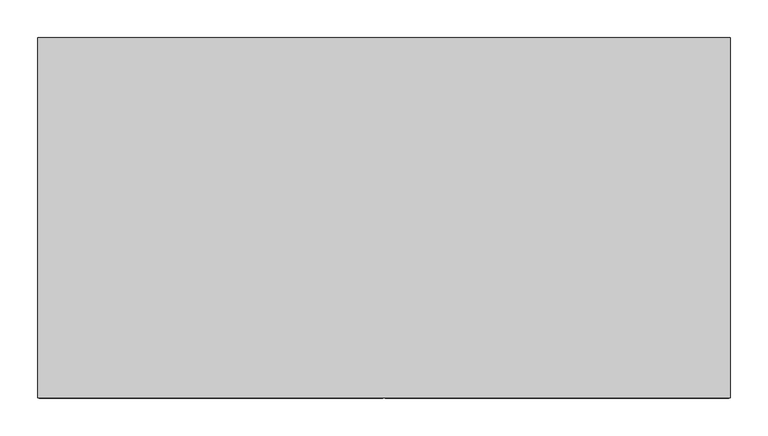
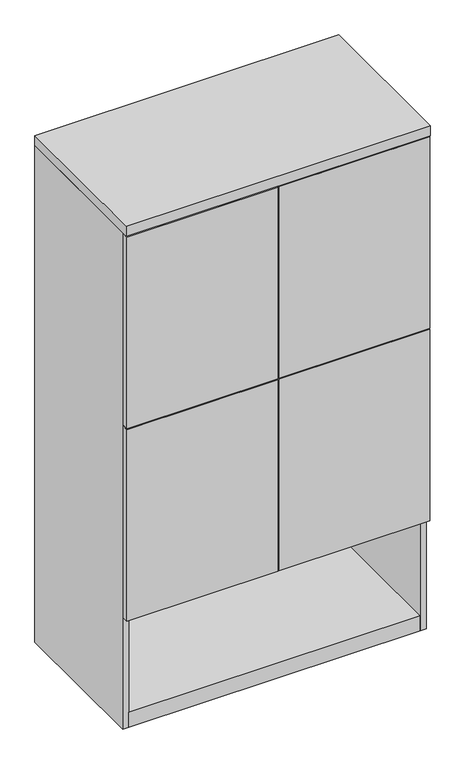
"""IFC4 building model written with IfcOpenShell, lengths in millimetres: furniture geometry."""

from ifc_helpers import new_model, si_unit, frame, origin, origin_with_axes, place, context, project, spatial, polyline, outline, extrude, source, transform, mapped, element, save


def furniture_46a973b0(model_context):
    return source(origin(), model_context, "Body", "SweptSolid", [
        extrude(outline(polyline([(455.6125, -476.25), (1.5875, -476.25), (1.5875, -457.2), (455.6125, -457.2), (455.6125, -476.25)])), frame((0.0, 0.0, 968.375), z_axis=(0.0, 0.0, 1.0), x_axis=(1.0, 0.0, 0.0)), (0.0, 0.0, 1.0), 609.6),
        extrude(outline(polyline([(-1.5875, -476.25), (-455.6125, -476.25), (-455.6125, -457.2), (-1.5875, -457.2), (-1.5875, -476.25)])), frame((0.0, 0.0, 968.375), z_axis=(0.0, 0.0, 1.0), x_axis=(1.0, 0.0, 0.0)), (0.0, 0.0, 1.0), 609.6),
        extrude(outline(polyline([(455.6125, -476.25), (1.5875, -476.25), (1.5875, -457.2), (455.6125, -457.2), (455.6125, -476.25)])), frame((0.0, 0.0, 355.6), z_axis=(0.0, 0.0, 1.0), x_axis=(1.0, 0.0, 0.0)), (0.0, 0.0, 1.0), 609.6),
        extrude(outline(polyline([(-1.5875, -476.25), (-455.6125, -476.25), (-455.6125, -457.2), (-1.5875, -457.2), (-1.5875, -476.25)])), frame((0.0, 0.0, 355.6), z_axis=(0.0, 0.0, 1.0), x_axis=(1.0, 0.0, 0.0)), (0.0, 0.0, 1.0), 609.6),
        extrude(outline(polyline([(438.15, -19.05), (438.15, -457.2), (-438.15, -457.2), (-438.15, -19.05), (438.15, -19.05)])), frame((0.0, 0.0, 352.425), z_axis=(0.0, 0.0, 1.0), x_axis=(1.0, 0.0, 0.0)), (0.0, 0.0, 1.0), 19.05),
        extrude(outline(polyline([(9.525, -19.05), (9.525, -457.2), (-9.525, -457.2), (-9.525, -19.05), (9.525, -19.05)])), frame((0.0, 0.0, 371.475), z_axis=(0.0, 0.0, 1.0), x_axis=(1.0, 0.0, 0.0)), (0.0, 0.0, 1.0), 1209.675),
        extrude(outline(polyline([(438.15, -19.05), (438.15, -457.2), (-438.15, -457.2), (-438.15, -19.05), (438.15, -19.05)])), origin_with_axes(), (0.0, 0.0, 1.0), 47.625),
        extrude(outline(polyline([(457.2, 0.0), (457.2, -476.25), (-457.2, -476.25), (-457.2, 0.0), (457.2, 0.0)])), frame((0.0, 0.0, 1581.15), z_axis=(0.0, 0.0, 1.0), x_axis=(1.0, 0.0, 0.0)), (0.0, 0.0, 1.0), 31.75),
        extrude(outline(polyline([(457.2, 0.0), (457.2, -457.2), (438.15, -457.2), (438.15, -19.05), (-438.15, -19.05), (-438.15, -457.2), (-457.2, -457.2), (-457.2, 0.0), (457.2, 0.0)])), origin_with_axes(), (0.0, 0.0, 1.0), 1581.15),
    ])


if __name__ == "__main__":
    model = new_model("IFC4")
    model_context = context("Model", 3, world=origin())
    ifc_project = project(units=[si_unit("LENGTHUNIT", "METRE", prefix="MILLI")], contexts=[model_context])
    site = spatial("IfcSite", under=ifc_project)
    building = spatial("IfcBuilding", under=site)
    placement = place(None, origin())
    furniture_shape = furniture_46a973b0(model_context)
    element("IfcFurniture", 1, at=placement, inside=building, context=model_context, shape_type="MappedRepresentation", body=[
        mapped(furniture_shape, transform((0.0, 0.0, 0.0), x_axis=(1.0, 0.0, 0.0), y_axis=(0.0, 1.0, 0.0), z_axis=(0.0, 0.0, 1.0))),
    ])
    save(model, "model.ifc")
